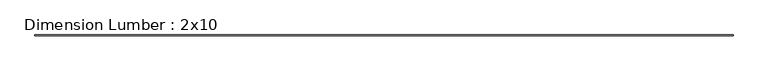
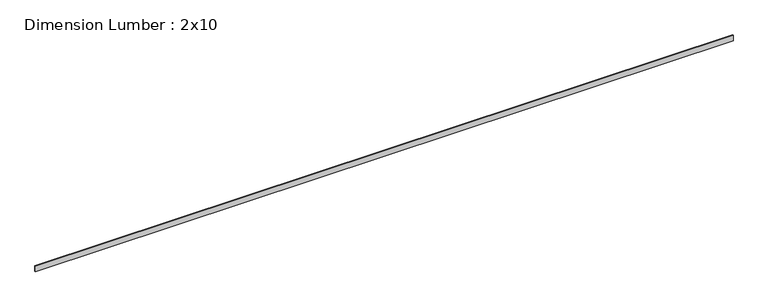
"""IFC4 building model written with IfcOpenShell, lengths in millimetres: beam geometry, Dimension Lumber : 2x10."""

from ifc_helpers import new_model, si_unit, frame, origin, place, context, project, spatial, polyline, outline, extrude, source, transform, mapped, element, save


def dimension_lumber_2x10_95e8aa53(model_context):
    return source(origin(), model_context, "Body", "SweptSolid", [
        extrude(outline(polyline([(14644.1799309, 19.05), (14644.1799309, -19.05), (-14644.1799309, -19.05), (-14644.1799309, 19.05), (14644.1799309, 19.05)])), frame((0.0, 0.0, -117.475), z_axis=(0.0, 0.0, 1.0), x_axis=(1.0, 0.0, 0.0)), (0.0, 0.0, 1.0), 234.95),
    ])


if __name__ == "__main__":
    model = new_model("IFC4")
    model_context = context("Model", 3, world=origin())
    ifc_project = project(units=[si_unit("LENGTHUNIT", "METRE", prefix="MILLI")], contexts=[model_context])
    site = spatial("IfcSite", under=ifc_project)
    building = spatial("IfcBuilding", under=site)
    placement = place(None, origin())
    dimension_lumber_2x10_shape = dimension_lumber_2x10_95e8aa53(model_context)
    element("IfcBeam", 1, ObjectType="Dimension Lumber : 2x10", at=placement, inside=building, context=model_context, shape_type="MappedRepresentation", body=[
        mapped(dimension_lumber_2x10_shape, transform((0.0, 0.0, 0.0), x_axis=(1.0, 0.0, 0.0), y_axis=(0.0, 1.0, 0.0), z_axis=(0.0, 0.0, 1.0))),
    ])
    save(model, "model.ifc")
